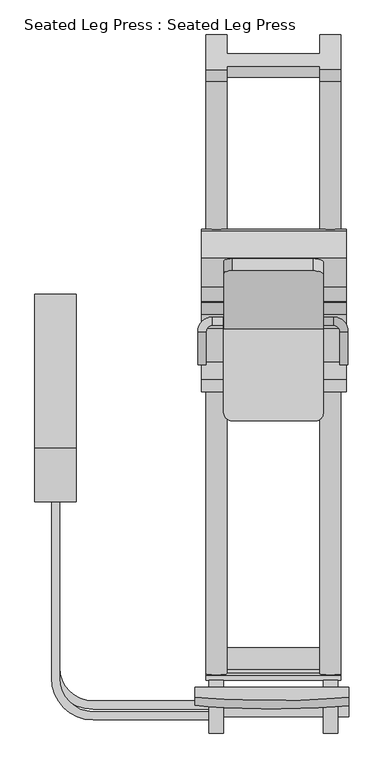
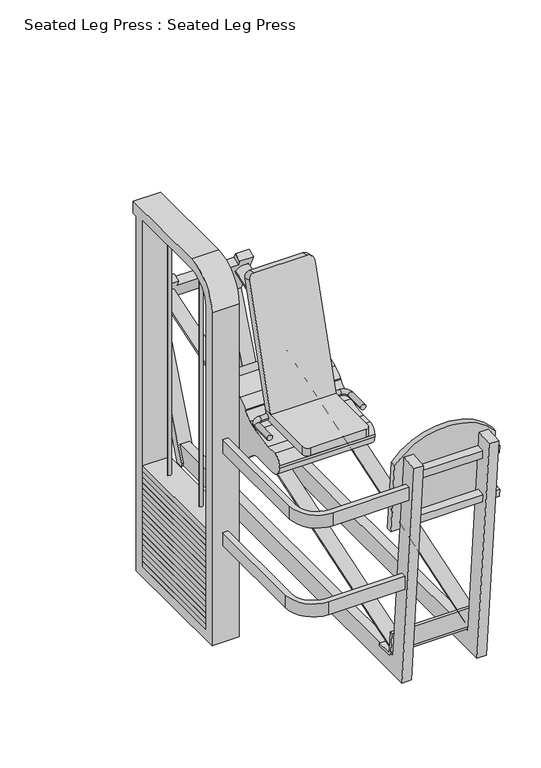
"""IFC4 building model written with IfcOpenShell, lengths in millimetres: proxy geometry, Seated Leg Press : Seated Leg Press."""

import ifcopenshell
import ifcopenshell.guid

model = None  # the IFC model being written
_history = None  # IfcOwnerHistory: only IFC2X3 demands one
_inside = {}  # id of a spatial element -> (the spatial element, [elements in it])
_under = {}  # id of a project, library or spatial element -> (it, [spatial elements below it])
_declared = {}  # id of a project -> (the project, [libraries it declares])
_typed = {}  # id of a type object -> (the type object, [elements of that type])
_made_of = {}  # id of a material, layer set ... -> (it, [elements and type objects made of it])


def new_model(schema):
    """Start an empty IFC model of exactly this schema.

    Asked for "IFC4X3", IfcOpenShell would pick the latest addendum, in which some entities
    have other attributes; the version numbers below select the first issue.
    IFC2X3 requires an IfcOwnerHistory on every rooted entity: one is made here for all.
    """
    global model, _history
    if schema == "IFC4X3":
        model = ifcopenshell.file(schema_version=(4, 3, 0, 0))
    else:
        model = ifcopenshell.file(schema=schema)
    _inside.clear()
    _under.clear()
    _declared.clear()
    _typed.clear()
    _made_of.clear()
    _history = None
    if model.schema == "IFC2X3":
        org = make("IfcOrganization", Name="unknown")
        user = make(
            "IfcPersonAndOrganization",
            ThePerson=make("IfcPerson", FamilyName="unknown"),
            TheOrganization=org,
        )
        app = make(
            "IfcApplication",
            ApplicationDeveloper=org,
            Version="unknown",
            ApplicationFullName="unknown",
            ApplicationIdentifier="unknown",
        )
        _history = make(
            "IfcOwnerHistory",
            OwningUser=user,
            OwningApplication=app,
            ChangeAction="ADDED",
            CreationDate=0,
        )
    return model


def make(cls, **values):
    """One entity of the class cls with the attributes given. An attribute that is None is left unset."""
    return model.create_entity(
        cls, **{name: value for name, value in values.items() if value is not None}
    )


def rooted(cls, **values):
    """An entity with a GlobalId (a new one), such as an element, a storey or a relation."""
    return make(cls, GlobalId=ifcopenshell.guid.new(), OwnerHistory=_history, **values)


def si_unit(unit_type, name, prefix=None):
    """IfcSIUnit, for example si_unit("LENGTHUNIT", "METRE", prefix="MILLI")."""
    return make("IfcSIUnit", UnitType=unit_type, Prefix=prefix, Name=name)


def assignment(units):
    """IfcUnitAssignment: the units of a project."""
    return None if units is None else make("IfcUnitAssignment", Units=units)


def point(xyz):
    """IfcCartesianPoint."""
    return None if xyz is None else make("IfcCartesianPoint", Coordinates=xyz)


def direction(xyz):
    """IfcDirection."""
    return None if xyz is None else make("IfcDirection", DirectionRatios=xyz)


def frame(location, z_axis=None, x_axis=None):
    """IfcAxis2Placement3D, a coordinate frame: its origin and axes. An axis left out is left unset."""
    return make(
        "IfcAxis2Placement3D",
        Location=point(location),
        Axis=direction(z_axis),
        RefDirection=direction(x_axis),
    )


def frame_2d(location, x_axis=None):
    """IfcAxis2Placement2D, a coordinate frame in the plane: its origin and x axis."""
    return make(
        "IfcAxis2Placement2D", Location=point(location), RefDirection=direction(x_axis)
    )


def origin():
    """The frame at (0, 0, 0) with its axes left unset."""
    return frame((0.0, 0.0, 0.0))


def place(relative_to, where):
    """IfcLocalPlacement: puts the frame where relative to a parent placement (None: the world)."""
    return make(
        "IfcLocalPlacement", PlacementRelTo=relative_to, RelativePlacement=where
    )


def context(
    kind, dimensions, precision=None, world=None, true_north=None, identifier=None
):
    """IfcGeometricRepresentationContext, for example the 3D "Model" context."""
    return make(
        "IfcGeometricRepresentationContext",
        ContextIdentifier=identifier,
        ContextType=kind,
        CoordinateSpaceDimension=dimensions,
        Precision=precision,
        WorldCoordinateSystem=world,
        TrueNorth=true_north,
    )


def project(units=None, contexts=None):
    """IfcProject with its units and contexts."""
    return rooted(
        "IfcProject",
        Name="project",
        RepresentationContexts=contexts,
        UnitsInContext=assignment(units),
    )


def spatial(cls, under=None, at=None, **own):
    """A site, building, storey or space (cls), placed at a placement, below another one or the project."""
    s = rooted(cls, ObjectPlacement=at, **own)
    if under is not None:
        _under.setdefault(under.id(), (under, []))[1].append(s)
    return s


def polyline(points):
    """IfcPolyline through the points."""
    return make("IfcPolyline", Points=[point(p) for p in points])


def circle_curve(where, radius):
    """IfcCircle in the frame where."""
    return make("IfcCircle", Position=where, Radius=radius)


def ellipse_curve(where, semi_axis1, semi_axis2):
    """IfcEllipse in the frame where."""
    return make(
        "IfcEllipse", Position=where, SemiAxis1=semi_axis1, SemiAxis2=semi_axis2
    )


def trimmed(basis, trim1, trim2, sense, master):
    """IfcTrimmedCurve: the piece of a basis curve between two trims."""
    return make(
        "IfcTrimmedCurve",
        BasisCurve=basis,
        Trim1=trim1,
        Trim2=trim2,
        SenseAgreement=sense,
        MasterRepresentation=master,
    )


def segment(curve, same_sense, transition):
    """IfcCompositeCurveSegment."""
    return make(
        "IfcCompositeCurveSegment",
        Transition=transition,
        SameSense=same_sense,
        ParentCurve=curve,
    )


def composite_curve(segments, self_intersect=None):
    """IfcCompositeCurve: segments joined end to end."""
    return make("IfcCompositeCurve", Segments=segments, SelfIntersect=self_intersect)


def outline(outer, holes=None, kind="AREA"):
    """IfcArbitraryClosedProfileDef: a profile drawn as a closed curve; with holes, ...WithVoids."""
    if holes is None:
        return make("IfcArbitraryClosedProfileDef", ProfileType=kind, OuterCurve=outer)
    return make(
        "IfcArbitraryProfileDefWithVoids",
        ProfileType=kind,
        OuterCurve=outer,
        InnerCurves=holes,
    )


def extrude(swept, where, along, depth):
    """IfcExtrudedAreaSolid: the profile swept, set in the frame where, extruded along a direction by depth."""
    return make(
        "IfcExtrudedAreaSolid",
        SweptArea=swept,
        Position=where,
        ExtrudedDirection=direction(along),
        Depth=depth,
    )


def faces_of(points, faces, orient=None, outer=None):
    """IfcFace entities. A face is a list of loops; a loop is a list of indices into points, from 0.

    orient and outer hold one flag for each loop. By default every Orientation is true, the
    first loop of a face is its IfcFaceOuterBound and the others are IfcFaceBound.
    """
    made = []
    for i, loops in enumerate(faces):
        bounds = []
        for j, loop in enumerate(loops):
            is_outer = j == 0 if outer is None else outer[i][j]
            bounds.append(
                make(
                    "IfcFaceOuterBound" if is_outer else "IfcFaceBound",
                    Bound=make("IfcPolyLoop", Polygon=[points[k] for k in loop]),
                    Orientation=True if orient is None else orient[i][j],
                )
            )
        made.append(make("IfcFace", Bounds=bounds))
    return made


def faceted_brep(points, faces, orient=None, outer=None, voids=None):
    """IfcFacetedBrep: a solid bounded by flat faces; with voids (closed shells), ...WithVoids."""
    shared = [point(p) for p in points]
    hull = make("IfcClosedShell", CfsFaces=faces_of(shared, faces, orient, outer))
    if voids is None:
        return make("IfcFacetedBrep", Outer=hull)
    return make(
        "IfcFacetedBrepWithVoids",
        Outer=hull,
        Voids=[
            make(cls, CfsFaces=faces_of(shared, fs, o, b)) for cls, fs, o, b in voids
        ],
    )


def shape(context_of_items, identifier, shape_type, items):
    """IfcShapeRepresentation: the items that make up one representation, for example the "Body"."""
    return make(
        "IfcShapeRepresentation",
        ContextOfItems=context_of_items,
        RepresentationIdentifier=identifier,
        RepresentationType=shape_type,
        Items=items,
    )


def source(mapping_origin, context_of_items, identifier, shape_type, items):
    """IfcRepresentationMap: a shape defined once, which mapped items show again and again."""
    return make(
        "IfcRepresentationMap",
        MappingOrigin=mapping_origin,
        MappedRepresentation=shape(context_of_items, identifier, shape_type, items),
    )


def transform(
    local_origin,
    x_axis=None,
    y_axis=None,
    z_axis=None,
    scale=None,
    scale2=None,
    scale3=None,
    uniform=True,
):
    """IfcCartesianTransformationOperator3D, or its non-uniform kind. x_axis, y_axis, z_axis: its Axis1, 2, 3."""
    if uniform:
        return make(
            "IfcCartesianTransformationOperator3D",
            Axis1=direction(x_axis),
            Axis2=direction(y_axis),
            LocalOrigin=point(local_origin),
            Scale=scale,
            Axis3=direction(z_axis),
        )
    return make(
        "IfcCartesianTransformationOperator3DnonUniform",
        Axis1=direction(x_axis),
        Axis2=direction(y_axis),
        LocalOrigin=point(local_origin),
        Scale=scale,
        Axis3=direction(z_axis),
        Scale2=scale2,
        Scale3=scale3,
    )


def mapped(mapping_source, mapping_target):
    """IfcMappedItem: shows the shape of a source again, moved by a transform."""
    return make(
        "IfcMappedItem", MappingSource=mapping_source, MappingTarget=mapping_target
    )


def made_of(thing, what):
    """Note that an element or type object is made of a material, layer set ...; save() writes the relation."""
    if what is not None:
        _made_of.setdefault(what.id(), (what, []))[1].append(thing)
    return thing


def element(
    cls,
    number,
    at=None,
    inside=None,
    cuts=None,
    type_object=None,
    material=None,
    context=None,
    identifier="Body",
    shape_type=None,
    held_by="IfcProductDefinitionShape",
    body=None,
    shapes=None,
    **own,
):
    """One element of the class cls, such as IfcWall. Its Tag is "e" and its number.

    at: its placement. inside: the storey or other place that contains it. cuts: it is an
    opening in that element (IfcRelVoidsElement). A single representation is given by context,
    identifier, shape_type and body (its items); several are given by shapes. held_by: the class
    of the entity that holds the representations. save() writes the other relations.
    """
    e = rooted(cls, Tag="e%d" % number, ObjectPlacement=at, **own)
    if body is not None:
        shapes = [shape(context, identifier, shape_type, body)]
    if shapes is not None:
        e.Representation = make(held_by, Representations=shapes)
    if inside is not None:
        _inside.setdefault(inside.id(), (inside, []))[1].append(e)
    if cuts is not None:
        rooted(
            "IfcRelVoidsElement", RelatingBuildingElement=cuts, RelatedOpeningElement=e
        )
    if type_object is not None:
        _typed.setdefault(type_object.id(), (type_object, []))[1].append(e)
    return made_of(e, material)


def aggregate(whole, parts):
    """IfcRelAggregates: a whole, such as a stair, and the parts it consists of."""
    return rooted("IfcRelAggregates", RelatingObject=whole, RelatedObjects=parts)


def save(model, path):
    """Write the relations noted so far, then the file.

    IfcRelAggregates (storeys below a building ...), IfcRelContainedInSpatialStructure (elements
    in a storey), IfcRelDefinesByType, IfcRelAssociatesMaterial and IfcRelDeclares: one each for
    every whole, place, type object, material and project.
    """
    for whole, parts in _under.values():
        aggregate(whole, parts)
    for where, things in _inside.values():
        rooted(
            "IfcRelContainedInSpatialStructure",
            RelatedElements=things,
            RelatingStructure=where,
        )
    for kind, things in _typed.values():
        rooted("IfcRelDefinesByType", RelatedObjects=things, RelatingType=kind)
    for what, things in _made_of.values():
        rooted("IfcRelAssociatesMaterial", RelatedObjects=things, RelatingMaterial=what)
    for by, libraries in _declared.values():
        rooted("IfcRelDeclares", RelatingContext=by, RelatedDefinitions=libraries)
    model.write(path)


def plane_surface(at):
    """IfcPlane: the flat surface through the origin of the frame at, square to its z axis."""
    return make("IfcPlane", Position=at)


def cylinder_surface(at, radius):
    """IfcCylindricalSurface: all points at the distance radius from the z axis of the frame at."""
    return make("IfcCylindricalSurface", Position=at, Radius=radius)


def revolved_surface(curve, axis_point, axis_direction):
    """IfcSurfaceOfRevolution: the curve turned about the line through axis_point along axis_direction."""
    return make(
        "IfcSurfaceOfRevolution",
        SweptCurve=make("IfcArbitraryOpenProfileDef", ProfileType="CURVE", Curve=curve),
        AxisPosition=make("IfcAxis1Placement", Location=point(axis_point), Axis=direction(axis_direction)),
    )


def advanced_brep(points, edges, surfaces, faces):
    """IfcAdvancedBrep: a solid bounded by faces that lie on surfaces and meet in shared edges.

    An edge is (start, end): straight between two places in points (the first is 0);
    or (start, end, curve); or (start, end, curve, False) where it runs against its curve.
    A face is (place in surfaces, loops), or (place, loops, False) where it looks against
    its surface's normal. A loop lists edges by number (the first is 1), with a minus sign
    where the edge is run from its end to its start. The first loop is the outer one.
    """
    corners = [point(p) for p in points]
    vertices = [make("IfcVertexPoint", VertexGeometry=c) for c in corners]
    made = []
    for start, end, *more in edges:
        made.append(
            make(
                "IfcEdgeCurve",
                EdgeStart=vertices[start],
                EdgeEnd=vertices[end],
                EdgeGeometry=more[0] if more else make("IfcPolyline", Points=[corners[start], corners[end]]),
                SameSense=more[1] if len(more) > 1 else True,
            )
        )
    hull = []
    for where, loops, *sense in faces:
        bounds = []
        for j, loop in enumerate(loops):
            ring = [make("IfcOrientedEdge", EdgeElement=made[abs(k) - 1], Orientation=k > 0) for k in loop]
            bounds.append(
                make(
                    "IfcFaceOuterBound" if j == 0 else "IfcFaceBound",
                    Bound=make("IfcEdgeLoop", EdgeList=ring),
                    Orientation=True,
                )
            )
        hull.append(make("IfcAdvancedFace", Bounds=bounds, FaceSurface=surfaces[where], SameSense=sense[0] if sense else True))
    return make("IfcAdvancedBrep", Outer=make("IfcClosedShell", CfsFaces=hull))


def seated_leg_press_seated_leg_press_6e5b4a1e(model_context):
    return source(origin(), model_context, "Body", "SolidModel", [
        extrude(outline(polyline([(63.5, 381.0), (63.5, -127.0), (-63.5, -127.0), (-63.5, 381.0), (63.5, 381.0)])), frame((0.0, 0.0, 520.0518719), z_axis=(0.0, 0.0, 1.0), x_axis=(1.0, 0.0, 0.0)), (0.0, 0.0, 1.0), 27.6030513),
        extrude(outline(polyline([(63.5, 381.0), (63.5, -127.0), (-63.5, -127.0), (-63.5, 381.0), (63.5, 381.0)])), frame((0.0, 0.0, 492.4488206), z_axis=(0.0, 0.0, 1.0), x_axis=(1.0, 0.0, 0.0)), (0.0, 0.0, 1.0), 27.6030513),
        extrude(outline(polyline([(63.5, 381.0), (63.5, -127.0), (-63.5, -127.0), (-63.5, 381.0), (63.5, 381.0)])), frame((0.0, 0.0, 464.8457693), z_axis=(0.0, 0.0, 1.0), x_axis=(1.0, 0.0, 0.0)), (0.0, 0.0, 1.0), 27.6030513),
        extrude(outline(polyline([(63.5, 381.0), (63.5, -127.0), (-63.5, -127.0), (-63.5, 381.0), (63.5, 381.0)])), frame((0.0, 0.0, 437.242718), z_axis=(0.0, 0.0, 1.0), x_axis=(1.0, 0.0, 0.0)), (0.0, 0.0, 1.0), 27.6030513),
        extrude(outline(polyline([(63.5, 381.0), (63.5, -127.0), (-63.5, -127.0), (-63.5, 381.0), (63.5, 381.0)])), frame((0.0, 0.0, 409.6396668), z_axis=(0.0, 0.0, 1.0), x_axis=(1.0, 0.0, 0.0)), (0.0, 0.0, 1.0), 27.6030513),
        advanced_brep(
        [(511.9366104, 361.95, 590.55), (511.9366104, 387.35, 590.55), (480.1866104, 361.95, 590.55), (480.1866104, 387.35, 590.55), (435.7366104, 342.9, 590.55), (461.1366104, 342.9, 590.55), (461.1366104, 241.3, 590.55), (435.7366104, 241.3, 590.55)],
        [
            (0, 1, circle_curve(frame((511.9366104, 374.65, 590.55), z_axis=(1.0, 0.0, 0.0), x_axis=(0.0, 1.0, 0.0)), 12.7)),
            (1, 0, circle_curve(frame((511.9366104, 374.65, 590.55), z_axis=(1.0, 0.0, 0.0), x_axis=(0.0, 1.0, 0.0)), 12.7)),
            (0, 2),
            (2, 3, circle_curve(frame((480.1866104, 374.65, 590.55), z_axis=(1.0, 0.0, 0.0), x_axis=(0.0, 1.0, 0.0)), 12.7)),
            (3, 1),
            (3, 2, circle_curve(frame((480.1866104, 374.65, 590.55), z_axis=(1.0, 0.0, 0.0), x_axis=(0.0, 1.0, 0.0)), 12.7)),
            (4, 3, circle_curve(frame((480.1866104, 342.9, 590.55), z_axis=(0.0, 0.0, -1.0), x_axis=(0.0, 1.0, 0.0)), 44.45)),
            (2, 5, circle_curve(frame((480.1866104, 342.9, 590.55), z_axis=(0.0, 0.0, 1.0), x_axis=(0.0, 1.0, 0.0)), 19.05)),
            (5, 4, circle_curve(frame((448.4366104, 342.9, 590.55), z_axis=(0.0, 1.0, 0.0), x_axis=(-1.0, 0.0, 0.0)), 12.7)),
            (4, 5, circle_curve(frame((448.4366104, 342.9, 590.55), z_axis=(0.0, 1.0, 0.0), x_axis=(-1.0, 0.0, 0.0)), 12.7)),
            (6, 7, circle_curve(frame((448.4366104, 241.3, 590.55), z_axis=(0.0, -1.0, 0.0), x_axis=(-1.0, 0.0, 0.0)), 12.7)),
            (7, 6, circle_curve(frame((448.4366104, 241.3, 590.55), z_axis=(0.0, -1.0, 0.0), x_axis=(-1.0, 0.0, 0.0)), 12.7)),
            (5, 6),
            (7, 4),
        ],
        [
            plane_surface(frame((511.9366104, 374.65, 590.55), z_axis=(1.0, 0.0, 0.0), x_axis=(0.0, 0.0, 1.0))),
            cylinder_surface(frame((511.9366104, 374.65, 590.55), z_axis=(1.0, 0.0, 0.0), x_axis=(0.0, 1.0, 0.0)), 12.7),
            revolved_surface(trimmed(ellipse_curve(frame((480.1866104, 374.65, 590.55), z_axis=(1.0, 0.0, 0.0), x_axis=(0.0, 1.0, 0.0)), 12.7, 12.7), [point((480.1866104, 361.95, 590.55))], [point((480.1866104, 387.35, 590.55))], True, "CARTESIAN"), (480.1866104, 342.9, 590.55), (0.0, 0.0, 1.0)),
            revolved_surface(trimmed(ellipse_curve(frame((480.1866104, 374.65, 590.55), z_axis=(1.0, 0.0, 0.0), x_axis=(0.0, 1.0, 0.0)), 12.7, 12.7), [point((480.1866104, 387.35, 590.55))], [point((480.1866104, 361.95, 590.55))], True, "CARTESIAN"), (480.1866104, 342.9, 590.55), (0.0, 0.0, 1.0)),
            plane_surface(frame((448.4366104, 241.3, 590.55), z_axis=(0.0, -1.0, 0.0), x_axis=(0.0, 0.0, 1.0))),
            cylinder_surface(frame((448.4366104, 342.9, 590.55), z_axis=(0.0, 1.0, 0.0), x_axis=(-1.0, 0.0, 0.0)), 12.7),
        ],
        [
            (0, [[1, 2]]),
            (1, [[-1, 3, 4, 5]]),
            (1, [[-2, -5, 6, -3]]),
            (2, [[7, -4, 8, 9]]),
            (3, [[-8, -6, -7, 10]]),
            (4, [[11, 12]]),
            (5, [[-9, 13, -12, 14]]),
            (5, [[-10, -14, -11, -13]]),
        ],
    ),
        advanced_brep(
        [(819.15, 361.95, 590.55), (819.15, 387.35, 590.55), (850.9, 361.95, 590.55), (850.9, 387.35, 590.55), (895.35, 342.9, 590.55), (869.95, 342.9, 590.55), (869.95, 241.3, 590.55), (895.35, 241.3, 590.55)],
        [
            (0, 1, circle_curve(frame((819.15, 374.65, 590.55), z_axis=(-1.0, 0.0, 0.0), x_axis=(0.0, 1.0, 0.0)), 12.7)),
            (1, 0, circle_curve(frame((819.15, 374.65, 590.55), z_axis=(-1.0, 0.0, 0.0), x_axis=(0.0, 1.0, 0.0)), 12.7)),
            (0, 2),
            (2, 3, circle_curve(frame((850.9, 374.65, 590.55), z_axis=(-1.0, 0.0, 0.0), x_axis=(0.0, 1.0, 0.0)), 12.7)),
            (3, 1),
            (3, 2, circle_curve(frame((850.9, 374.65, 590.55), z_axis=(-1.0, 0.0, 0.0), x_axis=(0.0, 1.0, 0.0)), 12.7)),
            (4, 3, circle_curve(frame((850.9, 342.9, 590.55), z_axis=(0.0, 0.0, 1.0), x_axis=(0.0, 1.0, 0.0)), 44.45)),
            (2, 5, circle_curve(frame((850.9, 342.9, 590.55), z_axis=(0.0, 0.0, -1.0), x_axis=(0.0, 1.0, 0.0)), 19.05)),
            (5, 4, circle_curve(frame((882.65, 342.9, 590.55), z_axis=(0.0, 1.0, 0.0), x_axis=(1.0, 0.0, 0.0)), 12.7)),
            (4, 5, circle_curve(frame((882.65, 342.9, 590.55), z_axis=(0.0, 1.0, 0.0), x_axis=(1.0, 0.0, 0.0)), 12.7)),
            (6, 7, circle_curve(frame((882.65, 241.3, 590.55), z_axis=(0.0, -1.0, 0.0), x_axis=(1.0, 0.0, 0.0)), 12.7)),
            (7, 6, circle_curve(frame((882.65, 241.3, 590.55), z_axis=(0.0, -1.0, 0.0), x_axis=(1.0, 0.0, 0.0)), 12.7)),
            (5, 6),
            (7, 4),
        ],
        [
            plane_surface(frame((819.15, 374.65, 590.55), z_axis=(-1.0, 0.0, 0.0), x_axis=(0.0, 0.0, 1.0))),
            cylinder_surface(frame((819.15, 374.65, 590.55), z_axis=(-1.0, 0.0, 0.0), x_axis=(0.0, 1.0, 0.0)), 12.7),
            revolved_surface(trimmed(ellipse_curve(frame((850.9, 374.65, 590.55), z_axis=(-1.0, 0.0, 0.0), x_axis=(0.0, 1.0, 0.0)), 12.7, 12.7), [point((850.9, 361.95, 590.55))], [point((850.9, 387.35, 590.55))], True, "CARTESIAN"), (850.9, 342.9, 590.55), (0.0, 0.0, -1.0)),
            revolved_surface(trimmed(ellipse_curve(frame((850.9, 374.65, 590.55), z_axis=(-1.0, 0.0, 0.0), x_axis=(0.0, 1.0, 0.0)), 12.7, 12.7), [point((850.9, 387.35, 590.55))], [point((850.9, 361.95, 590.55))], True, "CARTESIAN"), (850.9, 342.9, 590.55), (0.0, 0.0, -1.0)),
            plane_surface(frame((882.65, 241.3, 590.55), z_axis=(0.0, -1.0, 0.0), x_axis=(0.0, 0.0, 1.0))),
            cylinder_surface(frame((882.65, 342.9, 590.55), z_axis=(0.0, 1.0, 0.0), x_axis=(1.0, 0.0, 0.0)), 12.7),
        ],
        [
            (0, [[1, 2]]),
            (1, [[-1, 3, 4, 5]]),
            (1, [[-2, -5, 6, -3]]),
            (2, [[7, -4, 8, 9]]),
            (3, [[-8, -6, -7, 10]]),
            (4, [[11, 12]]),
            (5, [[-9, 13, -12, 14]]),
            (5, [[-10, -14, -11, -13]]),
        ],
    ),
        extrude(outline(composite_curve([segment(polyline([(-182.1574328, -61.6830151), (162.6383199, -61.6830151), (162.6383199, -531.5830151), (-190.1714892, -531.5830151)]), True, "CONTINUOUS"), segment(trimmed(circle_curve(frame_2d((0.0, -299.8080151)), 299.8080151), [point((-190.1714892, -531.5830151))], [point((-182.1574328, -61.6830151))], False, "CARTESIAN"), True, "CONTINUOUS")], self_intersect=False)), frame((365.7352901, -784.1433783, 909.9316716), z_axis=(0.0, 0.9961946980917449, 0.08715574274766605), x_axis=(0.0, 0.08715574274766605, -0.9961946980917449)), (0.0, 0.0, 1.0), 25.4),
        extrude(outline(composite_curve([segment(polyline([(-12.7, -684.8256755), (-12.7, -177.8), (12.7, -177.8), (12.7, -684.8256755)]), True, "CONTINUOUS"), segment(trimmed(circle_curve(frame_2d((114.3, -684.8256755)), 101.6), [point((12.7, -684.8256755))], [point((114.3, -786.4256755))], True, "CARTESIAN"), True, "CONTINUOUS"), segment(polyline([(114.3, -786.4256755), (469.9, -786.4256755), (469.9, -811.8256755), (114.3, -811.8256755)]), True, "CONTINUOUS"), segment(trimmed(circle_curve(frame_2d((114.3, -684.8256755)), 127.0), [point((114.3, -811.8256755))], [point((-12.7, -684.8256755))], False, "CARTESIAN"), True, "CONTINUOUS")], self_intersect=False)), frame((0.0, 0.0, 476.25), z_axis=(0.0, 0.0, 1.0), x_axis=(1.0, 0.0, 0.0)), (0.0, 0.0, 1.0), 63.5),
        extrude(outline(composite_curve([segment(polyline([(-12.7, -717.55), (-12.7, -177.8), (12.7, -177.8), (12.7, -717.55)]), True, "CONTINUOUS"), segment(trimmed(circle_curve(frame_2d((114.3, -717.55)), 101.6), [point((12.7, -717.55))], [point((114.3, -819.15))], True, "CARTESIAN"), True, "CONTINUOUS"), segment(polyline([(114.3, -819.15), (469.9, -819.15), (469.9, -844.55), (114.3, -844.55)]), True, "CONTINUOUS"), segment(trimmed(circle_curve(frame_2d((114.3, -717.55)), 127.0), [point((114.3, -844.55))], [point((-12.7, -717.55))], False, "CARTESIAN"), True, "CONTINUOUS")], self_intersect=False)), frame((0.0, 0.0, 933.45), z_axis=(0.0, 0.0, 1.0), x_axis=(1.0, 0.0, 0.0)), (0.0, 0.0, 1.0), 63.5),
        advanced_brep(
        [(514.724713, 557.5532589, 1160.7159444), (540.124713, 564.9795002, 1185.0060852), (787.4, 564.9795002, 1185.0060852), (819.15, 555.6966986, 1154.6434092), (819.15, 387.8595682, 605.6728918), (514.724713, 387.8595682, 605.6728918), (819.15, 350.3144978, 613.1820679), (819.15, 519.2614874, 1165.7827711), (787.4, 528.544289, 1196.1454471), (540.124713, 528.544289, 1196.1454471), (514.724713, 521.1180477, 1171.8553063), (514.724713, 350.3144978, 613.1820679), (514.724713, 387.8595682, 613.1820679), (819.15, 92.5817031, 613.1820679), (819.15, 92.5817031, 575.0820679), (819.15, 387.8595682, 575.0820679), (514.35, 387.8595682, 613.1820679), (514.35, 95.7232561, 613.1820679), (539.75, 70.3232561, 613.1820679), (796.891553, 70.3232561, 613.1820679), (796.891553, 70.3232561, 575.0820679), (539.75, 70.3232561, 575.0820679), (514.35, 95.7232561, 575.0820679), (514.35, 387.8595682, 575.0820679)],
        [
            (0, 1, circle_curve(frame((540.124713, 557.5532589, 1160.7159444), z_axis=(0.0, 0.9563047559630297, -0.29237170472275603), x_axis=(1.0, 0.0, 0.0)), 25.4)),
            (1, 2),
            (2, 3, circle_curve(frame((787.4, 555.6966986, 1154.6434092), z_axis=(0.0, 0.9563047559630297, -0.29237170472275603), x_axis=(1.0, 0.0, 0.0)), 31.75)),
            (3, 4),
            (4, 5),
            (5, 0),
            (6, 7),
            (7, 8, circle_curve(frame((787.4, 519.2614874, 1165.7827711), z_axis=(0.0, -0.9563047559630297, 0.29237170472275603), x_axis=(1.0, 0.0, 0.0)), 31.75)),
            (8, 9),
            (9, 10, circle_curve(frame((540.124713, 521.1180477, 1171.8553063), z_axis=(0.0, -0.9563047559630297, 0.29237170472275603), x_axis=(1.0, 0.0, 0.0)), 25.4)),
            (10, 11),
            (11, 6),
            (10, 0),
            (5, 12),
            (12, 11),
            (9, 1),
            (8, 2),
            (7, 3),
            (6, 13),
            (13, 14),
            (14, 15),
            (15, 4),
            (16, 17),
            (17, 18, circle_curve(frame((539.75, 95.7232561, 613.1820679), z_axis=(0.0, 0.0, 1.0), x_axis=(-1.0, 0.0, 0.0)), 25.4)),
            (18, 19),
            (19, 13, circle_curve(frame((796.891553, 92.5817031, 613.1820679), z_axis=(0.0, 0.0, 1.0), x_axis=(-1.0, 0.0, 0.0)), 22.258447)),
            (12, 16),
            (14, 20, circle_curve(frame((796.891553, 92.5817031, 575.0820679), z_axis=(0.0, 0.0, -1.0), x_axis=(-1.0, 0.0, 0.0)), 22.258447)),
            (20, 21),
            (21, 22, circle_curve(frame((539.75, 95.7232561, 575.0820679), z_axis=(0.0, 0.0, -1.0), x_axis=(-1.0, 0.0, 0.0)), 25.4)),
            (22, 23),
            (23, 15),
            (23, 16),
            (22, 17),
            (21, 18),
            (20, 19),
        ],
        [
            plane_surface(frame((486.2869521, 386.749709, 602.0427059), z_axis=(0.0, 0.9563047559630297, -0.2923717047227561), x_axis=(-1.0, 0.0, 0.0))),
            plane_surface(frame((486.2869521, 350.3144978, 613.1820679), z_axis=(0.0, -0.9563047559630297, 0.2923717047227561), x_axis=(1.0, 0.0, 0.0))),
            plane_surface(frame((514.724713, 386.749709, 602.0427059), z_axis=(-1.0, 0.0, 0.0), x_axis=(0.0, -0.9563047559630292, 0.29237170472275736))),
            cylinder_surface(frame((540.124713, 521.1180477, 1171.8553063), z_axis=(0.0, 0.9563047559630303, -0.29237170472275625), x_axis=(1.0, 0.0, 0.0)), 25.4),
            plane_surface(frame((540.124713, 564.9795002, 1185.0060852), z_axis=(0.0, 0.2923717047227541, 0.9563047559630302), x_axis=(0.0, -0.9563047559630302, 0.2923717047227541))),
            cylinder_surface(frame((787.4, 519.2614874, 1165.7827711), z_axis=(0.0, 0.9563047559630303, -0.29237170472275625), x_axis=(1.0, 0.0, 0.0)), 31.75),
            plane_surface(frame((819.15, 555.6966986, 1154.6434092), z_axis=(1.0000000000000002, 0.0, 0.0), x_axis=(0.0, -0.9563047559630281, 0.29237170472276114))),
            plane_surface(frame((819.15, 387.8595682, 613.1820679), z_axis=(0.0, 0.0, 1.0), x_axis=(0.0, 1.0, 0.0))),
            plane_surface(frame((819.15, 387.8595682, 575.0820679), z_axis=(0.0, 0.0, -1.0), x_axis=(0.0, -1.0, 0.0))),
            plane_surface(frame((819.15, 387.8595682, 613.1820679), z_axis=(0.0, 1.0, 0.0), x_axis=(0.0, 0.0, -1.0))),
            plane_surface(frame((514.35, 387.8595682, 613.1820679), z_axis=(-1.0, 0.0, 0.0), x_axis=(0.0, 0.0, -1.0))),
            cylinder_surface(frame((539.75, 95.7232561, 575.0820679), z_axis=(0.0, 0.0, 1.0), x_axis=(-1.0, 0.0, 0.0)), 25.4),
            plane_surface(frame((539.75, 70.3232561, 613.1820679), z_axis=(0.0, -1.0, 0.0), x_axis=(0.0, 0.0, -1.0))),
            cylinder_surface(frame((796.891553, 92.5817031, 575.0820679), z_axis=(0.0, 0.0, 1.0), x_axis=(-1.0, 0.0, 0.0)), 22.258447),
        ],
        [
            (0, [[1, 2, 3, 4, 5, 6]]),
            (1, [[7, 8, 9, 10, 11, 12]]),
            (2, [[-11, 13, -6, 14, 15]]),
            (3, [[-1, -13, -10, 16]]),
            (4, [[-2, -16, -9, 17]]),
            (5, [[-3, -17, -8, 18]]),
            (6, [[-7, 19, 20, 21, 22, -4, -18]]),
            (7, [[23, 24, 25, 26, -19, -12, -15, 27]]),
            (8, [[28, 29, 30, 31, 32, -21]]),
            (9, [[-32, 33, -27, -14, -5, -22]]),
            (10, [[-23, -33, -31, 34]]),
            (11, [[-24, -34, -30, 35]]),
            (12, [[-25, -35, -29, 36]]),
            (13, [[-26, -36, -28, -20]]),
        ],
    ),
        extrude(outline(composite_curve([segment(trimmed(circle_curve(frame_2d((210.334668, 489.8381788)), 50.8), [point((210.334668, 439.0381788))], [point((159.534668, 489.8381788))], False, "CARTESIAN"), True, "CONTINUOUS"), segment(polyline([(159.534668, 489.8381788), (159.534668, 502.5381788)]), True, "CONTINUOUS"), segment(trimmed(circle_curve(frame_2d((197.634668, 502.5381788)), 38.1), [point((159.534668, 502.5381788))], [point((197.634668, 540.6381788))], False, "CARTESIAN"), True, "CONTINUOUS"), segment(polyline([(197.634668, 540.6381788), (250.8172109, 540.6381788)]), True, "CONTINUOUS"), segment(trimmed(circle_curve(frame_2d((250.8172109, 813.6881788)), 273.05), [point((250.8172109, 540.6381788))], [point((353.1035413, 560.5206273))], True, "CARTESIAN"), True, "CONTINUOUS"), segment(polyline([(353.1035413, 560.5206273), (396.2928572, 577.9702437)]), True, "CONTINUOUS"), segment(trimmed(circle_curve(frame_2d((365.3690829, 654.5092709)), 82.55), [point((396.2928572, 577.9702437))], [point((432.9900842, 607.160536))], True, "CARTESIAN"), True, "CONTINUOUS"), segment(polyline([(432.9900842, 607.160536), (435.8249382, 611.2091272)]), True, "CONTINUOUS"), segment(trimmed(circle_curve(frame_2d((515.747112, 555.2470186)), 97.5669589), [point((435.8249382, 611.2091272))], [point((479.1978859, 645.7095276))], False, "CARTESIAN"), True, "CONTINUOUS"), segment(polyline([(479.1978859, 645.7095276), (568.1752944, 681.6587341)]), True, "CONTINUOUS"), segment(trimmed(circle_curve(frame_2d((591.9628131, 622.7825594)), 63.5), [point((568.1752944, 681.6587341))], [point((651.5212524, 644.8062356))], False, "CARTESIAN"), True, "CONTINUOUS"), segment(trimmed(circle_curve(frame_2d((591.7402947, 623.3939236)), 63.5), [point((651.5212524, 644.8062356))], [point((634.2300882, 576.2042272))], False, "CARTESIAN"), True, "CONTINUOUS"), segment(polyline([(634.2300882, 576.2042272), (558.0738742, 507.6328641)]), True, "CONTINUOUS"), segment(trimmed(circle_curve(frame_2d((587.8167297, 474.6000766)), 44.45), [point((558.0738742, 507.6328641))], [point((543.3667297, 474.6000766))], True, "CARTESIAN"), True, "CONTINUOUS"), segment(polyline([(543.3667297, 474.6000766), (543.3667297, 468.9904917)]), True, "CONTINUOUS"), segment(trimmed(circle_curve(frame_2d((454.4667297, 468.9904917)), 88.9), [point((543.3667297, 468.9904917))], [point((454.4667297, 380.0904917))], False, "CARTESIAN"), True, "CONTINUOUS"), segment(polyline([(454.4667297, 380.0904917), (449.44664, 380.0904917)]), True, "CONTINUOUS"), segment(trimmed(circle_curve(frame_2d((449.44664, 454.261186)), 74.1706943), [point((449.44664, 380.0904917))], [point((394.3270723, 404.6313044))], False, "CARTESIAN"), True, "CONTINUOUS"), segment(polyline([(394.3270723, 404.6313044), (389.8317282, 409.6238897)]), True, "CONTINUOUS"), segment(trimmed(circle_curve(frame_2d((323.7661532, 350.1381788)), 88.9), [point((389.8317282, 409.6238897))], [point((323.7661532, 439.0381788))], True, "CARTESIAN"), True, "CONTINUOUS"), segment(polyline([(323.7661532, 439.0381788), (210.334668, 439.0381788)]), True, "CONTINUOUS")], self_intersect=False)), frame((446.4501203, 0.0, 0.0), z_axis=(1.0, 0.0, 0.0), x_axis=(0.0, 1.0, 0.0)), (0.0, 0.0, 1.0), 443.0093384),
        extrude(outline(composite_curve([segment(polyline([(-722.7306701, 207.9812055), (-709.9821582, 207.9812055), (-701.5921906, 112.0834372)]), True, "CONTINUOUS"), segment(trimmed(circle_curve(frame_2d((-688.9405179, 113.1903152)), 12.7), [point((-701.5921906, 112.0834372))], [point((-688.9405179, 100.4903152))], True, "CARTESIAN"), True, "CONTINUOUS"), segment(polyline([(-688.9405179, 100.4903152), (-623.3153298, 100.4903152), (-623.3153298, 87.7903152), (-688.9405179, 87.7903152)]), True, "CONTINUOUS"), segment(trimmed(circle_curve(frame_2d((-688.9405179, 113.1903152)), 25.4), [point((-688.9405179, 87.7903152))], [point((-714.2438633, 110.9765593))], False, "CARTESIAN"), True, "CONTINUOUS"), segment(polyline([(-714.2438633, 110.9765593), (-722.7306701, 207.9812055)]), True, "CONTINUOUS")], self_intersect=False)), frame((460.6036169, 0.0, 0.0), z_axis=(1.0, 0.0, 0.0), x_axis=(0.0, 1.0, 0.0)), (0.0, 0.0, 1.0), 412.2927662),
        faceted_brep([(863.6, -884.8052581, 1113.3471946), (819.15, -884.8052581, 1113.3471946), (819.15, -787.4, 0.0), (863.6, -787.4, 0.0), (819.15, -802.5693858, 1120.5419012), (863.6, -802.5693858, 1120.5419012), (863.6, -796.613063, 1052.4608208), (897.3183052, -796.613063, 1052.4608208), (897.3183052, -793.2924292, 1014.5058028), (863.6, -793.2924292, 1014.5058028), (863.6, -712.2153298, 87.7903152), (819.15, -712.2153298, 87.7903152), (819.15, -793.2924292, 1014.5058028), (514.35, -793.2924292, 1014.5058028), (514.35, -712.2153298, 87.7903152), (469.9, -712.2153298, 87.7903152), (469.9, -802.5693858, 1120.5419012), (514.35, -802.5693858, 1120.5419012), (514.35, -796.613063, 1052.4608208), (819.15, -796.613063, 1052.4608208), (819.15, -834.568081, 1049.140187), (819.15, -831.2474472, 1011.185169), (819.15, 1003.7132883, 87.7903152), (819.15, 974.0101675, 14.2725112), (819.15, 974.0101675, 0.0), (819.15, -796.613063, 836.5608208), (819.15, -834.568081, 833.240187), (819.15, -831.2474472, 795.285169), (819.15, -793.2924292, 798.6058028), (863.6, 974.0101675, 0.0), (863.6, 974.0101675, 14.2725112), (863.6, 1003.7132883, 87.7903152), (863.6, -831.2474472, 1011.185169), (863.6, -834.568081, 1049.140187), (863.6, -834.568081, 833.240187), (863.6, -796.613063, 836.5608208), (863.6, -793.2924292, 798.6058028), (863.6, -831.2474472, 795.285169), (809.3963831, 974.0101675, 0.0), (809.3963831, 1009.3358723, 0.0), (872.8963831, 1009.3358723, 0.0), (872.8963831, 974.0101675, 0.0), (809.3963831, 1249.6968617, 594.9143249), (809.3963831, 974.0101675, 14.2725112), (809.3963831, 1208.1652924, 593.8267825), (809.3963831, 1157.8258617, 701.7800398), (809.3963831, 1192.3561884, 717.8817956), (809.3963831, 1108.9339422, 806.6290996), (809.3963831, 1143.4642689, 822.7308553), (809.3963831, 1154.7854249, 798.4525579), (809.3963831, 1120.2550983, 782.3508021), (872.8963831, 1143.4642689, 822.7308553), (872.8963831, 1108.9339422, 806.6290996), (872.8963831, 1208.1652924, 593.8267825), (872.8963831, 974.0101675, 14.2725112), (872.8963831, 1249.6968617, 594.9143249), (524.1036169, 1120.2550983, 782.3508021), (524.1036169, 1108.9339422, 806.6290996), (460.6036169, 1108.9339422, 806.6290996), (460.6036169, 1208.1652924, 593.8267825), (524.1036169, 1208.1652924, 593.8267825), (524.1036169, 1157.8258617, 701.7800398), (524.1036169, 1192.3561884, 717.8817956), (524.1036169, 1249.6968617, 594.9143249), (460.6036169, 1249.6968617, 594.9143249), (460.6036169, 1143.4642689, 822.7308553), (524.1036169, 1143.4642689, 822.7308553), (524.1036169, 1154.7854249, 798.4525579), (460.6036169, 1009.3358723, 0.0), (460.6036169, 974.0101675, 0.0), (460.6036169, 974.0101675, 14.2725112), (469.9, -884.8052581, 1113.3471946), (469.9, -787.4, 0.0), (514.35, -787.4, 0.0), (514.35, -884.8052581, 1113.3471946), (469.9, 1003.7132883, 87.7903152), (469.9, 974.0101675, 14.2725112), (469.9, 974.0101675, 0.0), (514.35, 974.0101675, 0.0), (514.35, 974.0101675, 14.2725112), (514.35, 1003.7132883, 87.7903152), (514.35, -831.2474472, 1011.185169), (514.35, -834.568081, 1049.140187), (514.35, -834.568081, 833.240187), (514.35, -796.613063, 836.5608208), (514.35, -793.2924292, 798.6058028), (514.35, -831.2474472, 795.285169), (524.1036169, 1009.3358723, 0.0), (524.1036169, 974.0101675, 0.0), (524.1036169, 974.0101675, 14.2725112), (897.3183052, -834.568081, 1049.140187), (897.3183052, -831.2474472, 1011.185169), (897.3183052, -796.613063, 836.5608208), (897.3183052, -834.568081, 833.240187), (897.3183052, -831.2474472, 795.285169), (897.3183052, -793.2924292, 798.6058028)], [[[0, 1, 2, 3]], [[4, 5, 6, 7, 8, 9, 10, 11, 12, 13, 14, 15, 16, 17, 18, 19]], [[1, 0, 5, 4]], [[2, 1, 4, 19, 20, 21, 12, 11, 22, 23, 24], [25, 26, 27, 28]], [[0, 3, 29, 30, 31, 10, 9, 32, 33, 6, 5], [34, 35, 36, 37]], [[11, 10, 31, 22]], [[3, 2, 24, 38, 39, 40, 41, 29]], [[42, 39, 38, 43, 44, 45, 46]], [[47, 48, 49, 50]], [[51, 52, 53, 54, 41, 40, 55]], [[39, 42, 55, 40]], [[43, 38, 24, 23]], [[41, 54, 30, 29]], [[44, 43, 23, 22, 31, 30, 54, 53]], [[44, 53, 52, 47, 50, 56, 57, 58, 59, 60, 61, 45]], [[48, 47, 52, 51]], [[55, 42, 46, 62, 63, 64, 65, 66, 67, 49, 48, 51]], [[50, 49, 67, 56]], [[46, 45, 61, 62]], [[64, 68, 69, 70, 59, 58, 65]], [[71, 72, 73, 74]], [[72, 71, 16, 15, 75, 76, 77]], [[74, 73, 78, 79, 80, 14, 13, 81, 82, 18, 17], [83, 84, 85, 86]], [[71, 74, 17, 16]], [[15, 14, 80, 75]], [[73, 72, 77, 69, 68, 87, 88, 78]], [[66, 57, 56, 67]], [[60, 89, 88, 87, 63, 62, 61]], [[57, 66, 65, 58]], [[89, 60, 59, 70, 76, 75, 80, 79]], [[70, 69, 77, 76]], [[88, 89, 79, 78]], [[63, 87, 68, 64]], [[7, 90, 91, 8]], [[19, 18, 82, 20]], [[90, 7, 6, 33]], [[91, 90, 33, 32]], [[20, 82, 81, 21]], [[13, 12, 21, 81]], [[8, 91, 32, 9]], [[92, 93, 94, 95]], [[93, 92, 35, 34]], [[25, 84, 83, 26]], [[94, 93, 34, 37]], [[26, 83, 86, 27]], [[95, 94, 37, 36]], [[27, 86, 85, 28]], [[92, 95, 36, 35]], [[84, 25, 28, 85]]]),
        extrude(outline(composite_curve([segment(trimmed(circle_curve(frame_2d((492.2080193, 0.0)), 31.75), [point((460.4580193, 0.0))], [point((523.9580193, 0.0))], False, "CARTESIAN"), True, "CONTINUOUS"), segment(trimmed(circle_curve(frame_2d((492.2080193, 0.0)), 31.75), [point((523.9580193, 0.0))], [point((460.4580193, 0.0))], False, "CARTESIAN"), True, "CONTINUOUS")], self_intersect=False)), frame((1333.5, -703.925523, 138.7535485), z_axis=(0.0, 0.9510565162951538, 0.309016994374947), x_axis=(-1.0, 0.0, 0.0)), (0.0, 0.0, 1.0), 1949.45),
        extrude(outline(composite_curve([segment(trimmed(circle_curve(frame_2d((492.2080193, 0.0)), 31.75), [point((460.4580193, 0.0))], [point((523.9580193, 0.0))], False, "CARTESIAN"), True, "CONTINUOUS"), segment(trimmed(circle_curve(frame_2d((492.2080193, 0.0)), 31.75), [point((523.9580193, 0.0))], [point((460.4580193, 0.0))], False, "CARTESIAN"), True, "CONTINUOUS")], self_intersect=False)), frame((0.0, -703.925523, 138.7535485), z_axis=(0.0, 0.9510565162951538, 0.309016994374947), x_axis=(1.0, 0.0, 0.0)), (0.0, 0.0, 1.0), 1939.7234591),
        extrude(outline(composite_curve([segment(trimmed(circle_curve(frame_2d((0.0, 19.5897281)), 8.2729057), [point((-8.2729057, 19.5897281))], [point((8.2729057, 19.5897281))], False, "CARTESIAN"), True, "CONTINUOUS"), segment(trimmed(circle_curve(frame_2d((0.0, 19.5897281)), 8.2729057), [point((8.2729057, 19.5897281))], [point((-8.2729057, 19.5897281))], False, "CARTESIAN"), True, "CONTINUOUS")], self_intersect=False)), frame((0.0, 0.0, 50.8), z_axis=(0.0, 0.0, 1.0), x_axis=(1.0, 0.0, 0.0)), (0.0, 0.0, 1.0), 1701.8),
        extrude(outline(composite_curve([segment(trimmed(circle_curve(frame_2d((0.0, 273.5897281)), 8.2729057), [point((-8.2729057, 273.5897281))], [point((8.2729057, 273.5897281))], False, "CARTESIAN"), True, "CONTINUOUS"), segment(trimmed(circle_curve(frame_2d((0.0, 273.5897281)), 8.2729057), [point((8.2729057, 273.5897281))], [point((-8.2729057, 273.5897281))], False, "CARTESIAN"), True, "CONTINUOUS")], self_intersect=False)), frame((0.0, 0.0, 50.8), z_axis=(0.0, 0.0, 1.0), x_axis=(1.0, 0.0, 0.0)), (0.0, 0.0, 1.0), 1701.8),
        extrude(outline(polyline([(63.5, 381.0), (63.5, -127.0), (-63.5, -127.0), (-63.5, 381.0), (63.5, 381.0)])), frame((0.0, 0.0, 382.0366155), z_axis=(0.0, 0.0, 1.0), x_axis=(1.0, 0.0, 0.0)), (0.0, 0.0, 1.0), 27.6030513),
        extrude(outline(polyline([(63.5, 381.0), (63.5, -127.0), (-63.5, -127.0), (-63.5, 381.0), (63.5, 381.0)])), frame((0.0, 0.0, 354.4335642), z_axis=(0.0, 0.0, 1.0), x_axis=(1.0, 0.0, 0.0)), (0.0, 0.0, 1.0), 27.6030513),
        extrude(outline(polyline([(63.5, 381.0), (63.5, -127.0), (-63.5, -127.0), (-63.5, 381.0), (63.5, 381.0)])), frame((0.0, 0.0, 326.8305129), z_axis=(0.0, 0.0, 1.0), x_axis=(1.0, 0.0, 0.0)), (0.0, 0.0, 1.0), 27.6030513),
        extrude(outline(polyline([(63.5, 381.0), (63.5, -127.0), (-63.5, -127.0), (-63.5, 381.0), (63.5, 381.0)])), frame((0.0, 0.0, 299.2274616), z_axis=(0.0, 0.0, 1.0), x_axis=(1.0, 0.0, 0.0)), (0.0, 0.0, 1.0), 27.6030513),
        extrude(outline(polyline([(63.5, 381.0), (63.5, -127.0), (-63.5, -127.0), (-63.5, 381.0), (63.5, 381.0)])), frame((0.0, 0.0, 271.6244103), z_axis=(0.0, 0.0, 1.0), x_axis=(1.0, 0.0, 0.0)), (0.0, 0.0, 1.0), 27.6030513),
        extrude(outline(polyline([(63.5, 381.0), (63.5, -127.0), (-63.5, -127.0), (-63.5, 381.0), (63.5, 381.0)])), frame((0.0, 0.0, 244.021359), z_axis=(0.0, 0.0, 1.0), x_axis=(1.0, 0.0, 0.0)), (0.0, 0.0, 1.0), 27.6030513),
        extrude(outline(polyline([(63.5, 381.0), (63.5, -127.0), (-63.5, -127.0), (-63.5, 381.0), (63.5, 381.0)])), frame((0.0, 0.0, 216.4183077), z_axis=(0.0, 0.0, 1.0), x_axis=(1.0, 0.0, 0.0)), (0.0, 0.0, 1.0), 27.6030513),
        extrude(outline(polyline([(63.5, 381.0), (63.5, -127.0), (-63.5, -127.0), (-63.5, 381.0), (63.5, 381.0)])), frame((0.0, 0.0, 188.8152564), z_axis=(0.0, 0.0, 1.0), x_axis=(1.0, 0.0, 0.0)), (0.0, 0.0, 1.0), 27.6030513),
        extrude(outline(polyline([(63.5, 381.0), (63.5, -127.0), (-63.5, -127.0), (-63.5, 381.0), (63.5, 381.0)])), frame((0.0, 0.0, 161.2122052), z_axis=(0.0, 0.0, 1.0), x_axis=(1.0, 0.0, 0.0)), (0.0, 0.0, 1.0), 27.6030513),
        extrude(outline(polyline([(63.5, 381.0), (63.5, -127.0), (-63.5, -127.0), (-63.5, 381.0), (63.5, 381.0)])), frame((0.0, 0.0, 133.6091539), z_axis=(0.0, 0.0, 1.0), x_axis=(1.0, 0.0, 0.0)), (0.0, 0.0, 1.0), 27.6030513),
        extrude(outline(polyline([(63.5, 381.0), (63.5, -127.0), (-63.5, -127.0), (-63.5, 381.0), (63.5, 381.0)])), frame((0.0, 0.0, 106.0061026), z_axis=(0.0, 0.0, 1.0), x_axis=(1.0, 0.0, 0.0)), (0.0, 0.0, 1.0), 27.6030513),
        extrude(outline(polyline([(63.5, 381.0), (63.5, -127.0), (-63.5, -127.0), (-63.5, 381.0), (63.5, 381.0)])), frame((0.0, 0.0, 78.4030513), z_axis=(0.0, 0.0, 1.0), x_axis=(1.0, 0.0, 0.0)), (0.0, 0.0, 1.0), 27.6030513),
        extrude(outline(polyline([(63.5, 381.0), (63.5, -127.0), (-63.5, -127.0), (-63.5, 381.0), (63.5, 381.0)])), frame((0.0, 0.0, 50.8), z_axis=(0.0, 0.0, 1.0), x_axis=(1.0, 0.0, 0.0)), (0.0, 0.0, 1.0), 27.6030513),
        extrude(outline(composite_curve([segment(polyline([(-12.7, 1803.4), (456.1651027, 1803.4), (456.1651027, 1744.4340753), (431.8, 1744.4340753), (431.8, 0.0), (-177.8, 0.0), (-177.8, 1638.3)]), True, "CONTINUOUS"), segment(trimmed(circle_curve(frame_2d((-12.7, 1638.3)), 165.1), [point((-177.8, 1638.3))], [point((-12.7, 1803.4))], False, "CARTESIAN"), True, "CONTINUOUS")], self_intersect=False), holes=[composite_curve([segment(polyline([(381.0, 1752.6), (-12.7, 1752.6)]), True, "CONTINUOUS"), segment(trimmed(circle_curve(frame_2d((-12.7, 1638.3)), 114.3), [point((-12.7, 1752.6))], [point((-127.0, 1638.3))], True, "CARTESIAN"), True, "CONTINUOUS"), segment(polyline([(-127.0, 1638.3), (-127.0, 50.8), (381.0, 50.8), (381.0, 1752.6)]), True, "CONTINUOUS")], self_intersect=False)]), frame((-63.5, 0.0, 0.0), z_axis=(1.0, 0.0, 0.0), x_axis=(0.0, 1.0, 0.0)), (0.0, 0.0, 1.0), 127.0),
    ])


if __name__ == "__main__":
    model = new_model("IFC4")
    model_context = context("Model", 3, world=origin())
    ifc_project = project(units=[si_unit("LENGTHUNIT", "METRE", prefix="MILLI")], contexts=[model_context])
    site = spatial("IfcSite", under=ifc_project)
    building = spatial("IfcBuilding", under=site)
    placement = place(None, origin())
    seated_leg_press_seated_leg_press_shape = seated_leg_press_seated_leg_press_6e5b4a1e(model_context)
    element("IfcBuildingElementProxy", 1, Name="Seated Leg Press : Seated Leg Press", ObjectType="Seated Leg Press : Seated Leg Press", at=placement, inside=building, context=model_context, shape_type="MappedRepresentation", body=[
        mapped(seated_leg_press_seated_leg_press_shape, transform((0.0, 0.0, 0.0), x_axis=(1.0, 0.0, 0.0), y_axis=(0.0, 1.0, 0.0), z_axis=(0.0, 0.0, 1.0))),
    ])
    save(model, "model.ifc")
